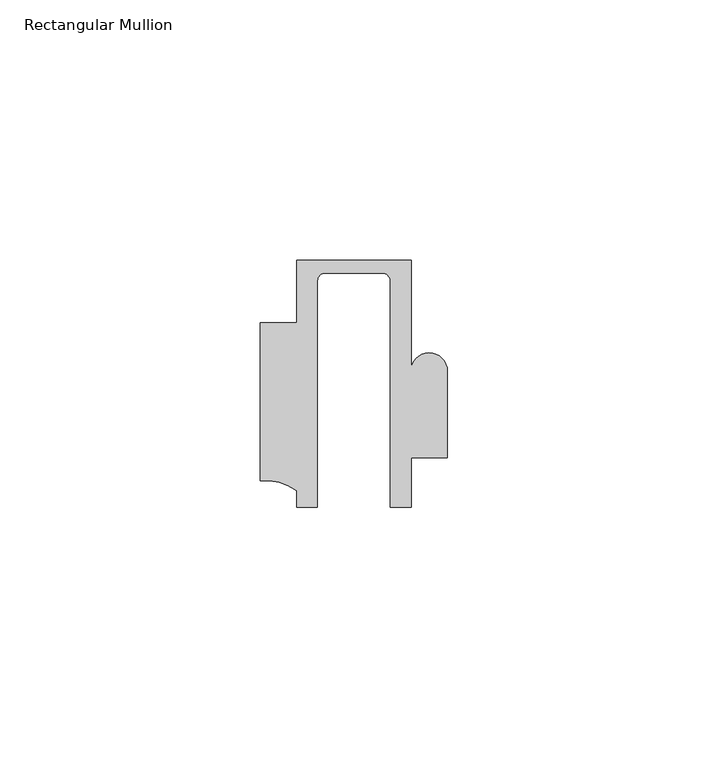
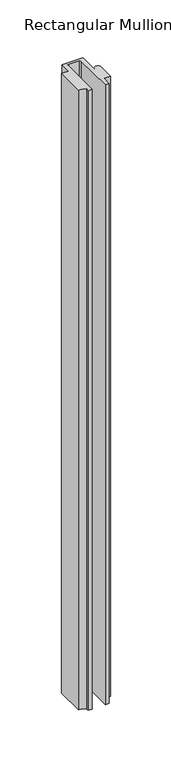
"""IFC4 building model written with IfcOpenShell, lengths in millimetres: member geometry, Rectangular Mullion."""

from ifc_helpers import new_model, si_unit, frame, origin, place, context, project, spatial, polyline, circle_curve, source, transform, mapped, element, save
from ifc_brep_helpers import plane_surface, cylinder_surface, revolved_surface, advanced_brep


def rectangular_mullion_4ff25e75(model_context):
    return source(origin(), model_context, "Body", "AdvancedBrep", [
        advanced_brep(
        [(-11.0000151, 27.0, 0.0), (-11.0000151, 15.0006281, 0.0), (-17.9999542, 15.0006281, 0.0), (-17.9999542, -15.3797475, 0.0), (-10.9999994, -17.3125325, 0.0), (-10.9999994, -20.5, 0.0), (-6.9999853, -20.5, 0.0), (-6.9999853, 22.9976091, 0.0), (-5.4999873, 24.5, 0.0), (5.4999872, 24.5, 0.0), (6.9999849, 22.9973451, 0.0), (6.9999849, -20.5, 0.0), (11.0000151, -20.5, 0.0), (11.0000151, -10.9797475, 0.0), (17.9999542, -10.9797475, 0.0), (17.9999542, 5.684606, 0.0), (11.001071, 5.5848769, 0.0), (11.001071, 27.0, 0.0), (-11.0000151, 27.0, -684.0001522), (11.001071, 27.0, -684.0001522), (11.001071, 5.5848769, -684.0001522), (17.9999091, 5.6750512, -684.0001522), (17.9999542, -10.9797475, -684.0001522), (11.0000151, -10.9797475, -684.0001522), (11.0000151, -20.5, -684.0001522), (6.9999849, -20.5, -684.0001522), (6.9999849, 22.9973451, -684.0001522), (5.4999872, 24.5, -684.0001522), (-5.4999873, 24.5, -684.0001522), (-6.9999853, 22.9976091, -684.0001522), (-6.9999853, -20.5, -684.0001522), (-10.9999994, -20.5, -684.0001522), (-10.9999994, -17.3125325, -684.0001522), (-17.9999542, -15.3797475, -684.0001522), (-17.9999542, 15.0006281, -684.0001522), (-11.0000151, 15.0006281, -684.0001522)],
        [
            (0, 1),
            (1, 2),
            (2, 3),
            (3, 4, circle_curve(frame((-17.109817, -25.7981812, 0.0), z_axis=(0.0, 0.0, -1.0), x_axis=(0.0, 1.0, 0.0)), 10.4563907)),
            (4, 5),
            (5, 6),
            (6, 7),
            (7, 8, circle_curve(frame((-5.4999873, 23.0, 0.0), z_axis=(0.0, 0.0, -1.0), x_axis=(2.7320010112268853e-08, 0.9999999999999997, 0.0)), 1.5)),
            (8, 9),
            (9, 10, circle_curve(frame((5.4999872, 23.0, 0.0), z_axis=(0.0, 0.0, -1.0), x_axis=(0.9999999999999986, -5.463622857820516e-08, 0.0)), 1.5)),
            (10, 11),
            (11, 12),
            (12, 13),
            (13, 14),
            (14, 15),
            (15, 16, circle_curve(frame((14.4999091, 5.6750512, 0.0), z_axis=(0.0, 0.0, 1.0), x_axis=(-0.9999826028573957, -0.005898642432633649, 0.0)), 3.5)),
            (16, 17),
            (17, 0),
            (18, 19),
            (19, 20),
            (20, 21, circle_curve(frame((14.4999091, 5.6750512, -684.0001522), z_axis=(0.0, 0.0, -1.0), x_axis=(-0.9999826028573957, -0.005898642432633649, 0.0)), 3.5)),
            (21, 22),
            (22, 23),
            (23, 24),
            (24, 25),
            (25, 26),
            (26, 27, circle_curve(frame((5.4999872, 23.0, -684.0001522), z_axis=(0.0, 0.0, 1.0), x_axis=(0.9999999999999986, -5.463622857820516e-08, 0.0)), 1.5)),
            (27, 28),
            (28, 29, circle_curve(frame((-5.4999873, 23.0, -684.0001522), z_axis=(0.0, 0.0, 1.0), x_axis=(2.7320010112268853e-08, 0.9999999999999997, 0.0)), 1.5)),
            (29, 30),
            (30, 31),
            (31, 32),
            (32, 33, circle_curve(frame((-17.109817, -25.7981812, -684.0001522), z_axis=(0.0, 0.0, 1.0), x_axis=(0.0, 1.0, 0.0)), 10.4563907)),
            (33, 34),
            (34, 35),
            (35, 18),
            (0, 18),
            (35, 1),
            (34, 2),
            (33, 3),
            (32, 4),
            (31, 5),
            (30, 6),
            (29, 7),
            (28, 8),
            (27, 9),
            (26, 10),
            (25, 11),
            (24, 12),
            (23, 13),
            (14, 22),
            (21, 15),
            (20, 16),
            (19, 17),
        ],
        [
            plane_surface(frame((0.0, -29.1551636, 0.0), z_axis=(0.0, 0.0, 1.0), x_axis=(-1.0, 0.0, 0.0))),
            plane_surface(frame((0.0, -29.1551636, -684.0001522), z_axis=(0.0, 0.0, -1.0), x_axis=(-1.0, 0.0, 0.0))),
            plane_surface(frame((-11.0000151, 27.0, 0.0), z_axis=(-1.0, 0.0, 0.0), x_axis=(0.0, 0.0, -1.0))),
            plane_surface(frame((-11.0000151, 15.0006281, 0.0), z_axis=(0.0, 1.0, 0.0), x_axis=(0.0, 0.0, -1.0))),
            plane_surface(frame((-17.9999542, 15.0006281, 0.0), z_axis=(-1.0, 0.0, 0.0), x_axis=(0.0, 0.0, -1.0))),
            revolved_surface(polyline([(-17.109817, -15.341790499999998, -684.0001522), (-17.109817, -15.341790499999998, 0.0)]), (-17.109817, -25.7981812, 0.0), (0.0, 0.0, -1.0)),
            plane_surface(frame((-10.9999994, -17.3125325, 0.0), z_axis=(-1.0, 0.0, 0.0), x_axis=(0.0, 0.0, -1.0))),
            plane_surface(frame((-10.9999994, -20.5, 0.0), z_axis=(0.0, -1.0, 0.0), x_axis=(0.0, 0.0, -1.0))),
            plane_surface(frame((-6.9999853, -20.5, 0.0), z_axis=(1.0, 0.0, 0.0), x_axis=(0.0, 0.0, -1.0))),
            revolved_surface(polyline([(-5.499987259019985, 24.5, -684.0001522), (-5.499987259019985, 24.5, 0.0)]), (-5.4999873, 23.0, 0.0), (0.0, 0.0, -1.0)),
            plane_surface(frame((-5.4999873, 24.5, 0.0), z_axis=(0.0, -1.0, 0.0), x_axis=(0.0, 0.0, -1.0))),
            revolved_surface(polyline([(6.999987199999998, 22.999999918045656, -684.0001522), (6.999987199999998, 22.999999918045656, 0.0)]), (5.4999872, 23.0, 0.0), (0.0, 0.0, -1.0)),
            plane_surface(frame((6.9999849, 22.9973451, 0.0), z_axis=(-1.0, 0.0, 0.0), x_axis=(0.0, 0.0, -1.0))),
            plane_surface(frame((6.9999849, -20.5, 0.0), z_axis=(0.0, -1.0, 0.0), x_axis=(0.0, 0.0, -1.0))),
            plane_surface(frame((11.0000151, -20.5, 0.0), z_axis=(1.0, 0.0, 0.0), x_axis=(0.0, 0.0, -1.0))),
            plane_surface(frame((17.9999542, -10.9797475, 0.0), z_axis=(1.0, 0.0, 0.0), x_axis=(0.0, 0.0, -1.0))),
            cylinder_surface(frame((14.4999091, 5.6750512, 0.0), z_axis=(0.0, 0.0, 1.0), x_axis=(-0.9999826028573957, -0.005898642432633649, 0.0)), 3.5),
            plane_surface(frame((11.001071, 5.5848769, 0.0), z_axis=(1.0, 0.0, 0.0), x_axis=(0.0, 0.0, -1.0))),
            plane_surface(frame((11.001071, 27.0, 0.0), z_axis=(0.0, 1.0, 0.0), x_axis=(0.0, 0.0, -1.0))),
            plane_surface(frame((11.0000151, -10.9797475, 0.0), z_axis=(0.0, -1.0, 0.0), x_axis=(0.0, 0.0, -1.0))),
        ],
        [
            (0, [[1, 2, 3, 4, 5, 6, 7, 8, 9, 10, 11, 12, 13, 14, 15, 16, 17, 18]]),
            (1, [[19, 20, 21, 22, 23, 24, 25, 26, 27, 28, 29, 30, 31, 32, 33, 34, 35, 36]]),
            (2, [[-1, 37, -36, 38]]),
            (3, [[-2, -38, -35, 39]]),
            (4, [[-3, -39, -34, 40]]),
            (5, [[-4, -40, -33, 41]]),
            (6, [[-5, -41, -32, 42]]),
            (7, [[-6, -42, -31, 43]]),
            (8, [[-7, -43, -30, 44]]),
            (9, [[-8, -44, -29, 45]]),
            (10, [[-9, -45, -28, 46]]),
            (11, [[-10, -46, -27, 47]]),
            (12, [[-11, -47, -26, 48]]),
            (13, [[-12, -48, -25, 49]]),
            (14, [[-13, -49, -24, 50]]),
            (15, [[-15, 51, -22, 52]]),
            (16, [[-16, -52, -21, 53]]),
            (17, [[-17, -53, -20, 54]]),
            (18, [[-18, -54, -19, -37]]),
            (19, [[-14, -50, -23, -51]]),
        ],
    ),
    ])


if __name__ == "__main__":
    model = new_model("IFC4")
    model_context = context("Model", 3, world=origin())
    ifc_project = project(units=[si_unit("LENGTHUNIT", "METRE", prefix="MILLI")], contexts=[model_context])
    site = spatial("IfcSite", under=ifc_project)
    building = spatial("IfcBuilding", under=site)
    placement = place(None, origin())
    rectangular_mullion_shape = rectangular_mullion_4ff25e75(model_context)
    element("IfcMember", 1, ObjectType="Rectangular Mullion", at=placement, inside=building, context=model_context, shape_type="MappedRepresentation", body=[
        mapped(rectangular_mullion_shape, transform((0.0, 0.0, 0.0), x_axis=(1.0, 0.0, 0.0), y_axis=(0.0, 1.0, 0.0), z_axis=(0.0, 0.0, 1.0))),
    ])
    save(model, "model.ifc")
